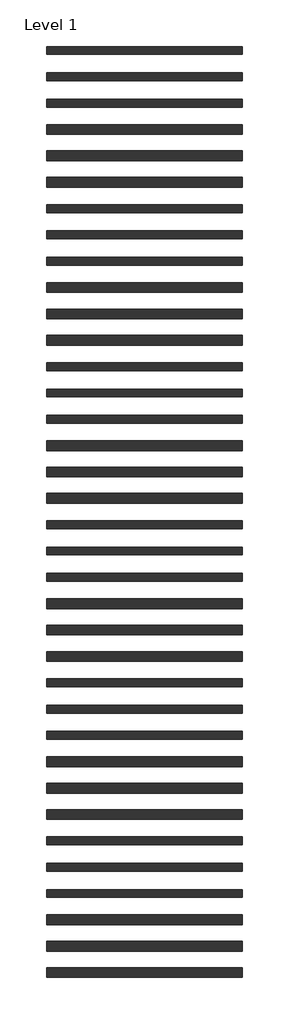
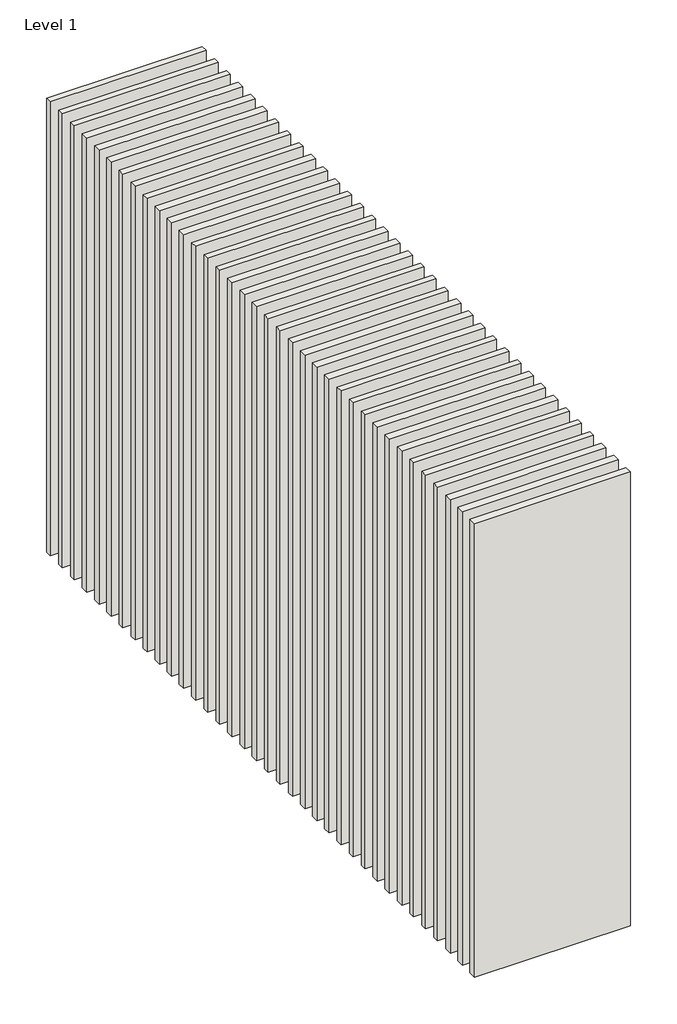
# One storey: 36 walls.
"""IFC4 building model written with IfcOpenShell, lengths in millimetres."""

from ifc_helpers import new_model, si_unit, origin, origin_with_axes, place, context, project, spatial, polyline, outline, extrude, element, save

model = new_model("IFC4")

# Units and contexts
model_context = context("Model", 3, world=origin())
ifc_project = project(units=[si_unit("LENGTHUNIT", "METRE", prefix="MILLI")], contexts=[model_context])

# Site, building, storey
site = spatial("IfcSite", under=ifc_project)
building = spatial("IfcBuilding", under=site)
storey = spatial("IfcBuildingStorey", under=building, Name="Level 1", Elevation=0.0)

# Walls
placement = place(None, origin())
element("IfcWall", 1, at=placement, inside=storey, context=model_context, shape_type="SweptSolid", body=[
    extrude(outline(polyline([(-16904.1464237, 3685.0198817), (-19504.1464237, 3685.0198817), (-19504.1464237, 3790.0198817), (-16904.1464237, 3790.0198817), (-16904.1464237, 3685.0198817)])), origin_with_axes(), (0.0, 0.0, 1.0), 8000.0),
])
element("IfcWall", 2, at=placement, inside=storey, context=model_context, shape_type="SweptSolid", body=[
    extrude(outline(polyline([(-16904.1464237, 3335.0198817), (-19504.1464237, 3335.0198817), (-19504.1464237, 3440.0198817), (-16904.1464237, 3440.0198817), (-16904.1464237, 3335.0198817)])), origin_with_axes(), (0.0, 0.0, 1.0), 8000.0),
])
element("IfcWall", 3, at=placement, inside=storey, context=model_context, shape_type="SweptSolid", body=[
    extrude(outline(polyline([(-16904.1464237, 2985.0198817), (-19504.1464237, 2985.0198817), (-19504.1464237, 3090.0198817), (-16904.1464237, 3090.0198817), (-16904.1464237, 2985.0198817)])), origin_with_axes(), (0.0, 0.0, 1.0), 8000.0),
])
element("IfcWall", 4, at=placement, inside=storey, context=model_context, shape_type="SweptSolid", body=[
    extrude(outline(polyline([(-16904.1464237, 2622.5198817), (-19504.1464237, 2622.5198817), (-19504.1464237, 2752.5198817), (-16904.1464237, 2752.5198817), (-16904.1464237, 2622.5198817)])), origin_with_axes(), (0.0, 0.0, 1.0), 8000.0),
])
element("IfcWall", 5, at=placement, inside=storey, context=model_context, shape_type="SweptSolid", body=[
    extrude(outline(polyline([(-16904.1464237, 2272.5198817), (-19504.1464237, 2272.5198817), (-19504.1464237, 2402.5198817), (-16904.1464237, 2402.5198817), (-16904.1464237, 2272.5198817)])), origin_with_axes(), (0.0, 0.0, 1.0), 8000.0),
])
element("IfcWall", 6, at=placement, inside=storey, context=model_context, shape_type="SweptSolid", body=[
    extrude(outline(polyline([(-16904.1464237, 1922.5198817), (-19504.1464237, 1922.5198817), (-19504.1464237, 2052.5198817), (-16904.1464237, 2052.5198817), (-16904.1464237, 1922.5198817)])), origin_with_axes(), (0.0, 0.0, 1.0), 8000.0),
])
element("IfcWall", 7, at=placement, inside=storey, context=model_context, shape_type="SweptSolid", body=[
    extrude(outline(polyline([(-16904.1464237, 1585.0198817), (-19504.1464237, 1585.0198817), (-19504.1464237, 1690.0198817), (-16904.1464237, 1690.0198817), (-16904.1464237, 1585.0198817)])), origin_with_axes(), (0.0, 0.0, 1.0), 8000.0),
])
element("IfcWall", 8, at=placement, inside=storey, context=model_context, shape_type="SweptSolid", body=[
    extrude(outline(polyline([(-16904.1464237, 1235.0198817), (-19504.1464237, 1235.0198817), (-19504.1464237, 1340.0198817), (-16904.1464237, 1340.0198817), (-16904.1464237, 1235.0198817)])), origin_with_axes(), (0.0, 0.0, 1.0), 8000.0),
])
element("IfcWall", 9, at=placement, inside=storey, context=model_context, shape_type="SweptSolid", body=[
    extrude(outline(polyline([(-16904.1464237, 885.0198817), (-19504.1464237, 885.0198817), (-19504.1464237, 990.0198817), (-16904.1464237, 990.0198817), (-16904.1464237, 885.0198817)])), origin_with_axes(), (0.0, 0.0, 1.0), 8000.0),
])
element("IfcWall", 10, at=placement, inside=storey, context=model_context, shape_type="SweptSolid", body=[
    extrude(outline(polyline([(-16904.1464237, 522.5198817), (-19504.1464237, 522.5198817), (-19504.1464237, 652.5198817), (-16904.1464237, 652.5198817), (-16904.1464237, 522.5198817)])), origin_with_axes(), (0.0, 0.0, 1.0), 8000.0),
])
element("IfcWall", 11, at=placement, inside=storey, context=model_context, shape_type="SweptSolid", body=[
    extrude(outline(polyline([(-16904.1464237, 172.5198817), (-19504.1464237, 172.5198817), (-19504.1464237, 302.5198817), (-16904.1464237, 302.5198817), (-16904.1464237, 172.5198817)])), origin_with_axes(), (0.0, 0.0, 1.0), 8000.0),
])
element("IfcWall", 12, at=placement, inside=storey, context=model_context, shape_type="SweptSolid", body=[
    extrude(outline(polyline([(-16904.1464237, -177.4801183), (-19504.1464237, -177.4801183), (-19504.1464237, -47.4801183), (-16904.1464237, -47.4801183), (-16904.1464237, -177.4801183)])), origin_with_axes(), (0.0, 0.0, 1.0), 8000.0),
])
element("IfcWall", 13, at=placement, inside=storey, context=model_context, shape_type="SweptSolid", body=[
    extrude(outline(polyline([(-16904.1464237, -514.9801183), (-19504.1464237, -514.9801183), (-19504.1464237, -409.9801183), (-16904.1464237, -409.9801183), (-16904.1464237, -514.9801183)])), origin_with_axes(), (0.0, 0.0, 1.0), 8000.0),
])
element("IfcWall", 14, at=placement, inside=storey, context=model_context, shape_type="SweptSolid", body=[
    extrude(outline(polyline([(-16904.1464237, -864.9801183), (-19504.1464237, -864.9801183), (-19504.1464237, -759.9801183), (-16904.1464237, -759.9801183), (-16904.1464237, -864.9801183)])), origin_with_axes(), (0.0, 0.0, 1.0), 8000.0),
])
element("IfcWall", 15, at=placement, inside=storey, context=model_context, shape_type="SweptSolid", body=[
    extrude(outline(polyline([(-16904.1464237, -1214.9801183), (-19504.1464237, -1214.9801183), (-19504.1464237, -1109.9801183), (-16904.1464237, -1109.9801183), (-16904.1464237, -1214.9801183)])), origin_with_axes(), (0.0, 0.0, 1.0), 8000.0),
])
element("IfcWall", 16, at=placement, inside=storey, context=model_context, shape_type="SweptSolid", body=[
    extrude(outline(polyline([(-16904.1464237, -1577.4801183), (-19504.1464237, -1577.4801183), (-19504.1464237, -1447.4801183), (-16904.1464237, -1447.4801183), (-16904.1464237, -1577.4801183)])), origin_with_axes(), (0.0, 0.0, 1.0), 8000.0),
])
element("IfcWall", 17, at=placement, inside=storey, context=model_context, shape_type="SweptSolid", body=[
    extrude(outline(polyline([(-16904.1464237, -1927.4801183), (-19504.1464237, -1927.4801183), (-19504.1464237, -1797.4801183), (-16904.1464237, -1797.4801183), (-16904.1464237, -1927.4801183)])), origin_with_axes(), (0.0, 0.0, 1.0), 8000.0),
])
element("IfcWall", 18, at=placement, inside=storey, context=model_context, shape_type="SweptSolid", body=[
    extrude(outline(polyline([(-16904.1464237, -2277.4801183), (-19504.1464237, -2277.4801183), (-19504.1464237, -2147.4801183), (-16904.1464237, -2147.4801183), (-16904.1464237, -2277.4801183)])), origin_with_axes(), (0.0, 0.0, 1.0), 8000.0),
])
element("IfcWall", 19, at=placement, inside=storey, context=model_context, shape_type="SweptSolid", body=[
    extrude(outline(polyline([(-16904.1464237, -2614.9801183), (-19504.1464237, -2614.9801183), (-19504.1464237, -2509.9801183), (-16904.1464237, -2509.9801183), (-16904.1464237, -2614.9801183)])), origin_with_axes(), (0.0, 0.0, 1.0), 8000.0),
])
element("IfcWall", 20, at=placement, inside=storey, context=model_context, shape_type="SweptSolid", body=[
    extrude(outline(polyline([(-16904.1464237, -2964.9801183), (-19504.1464237, -2964.9801183), (-19504.1464237, -2859.9801183), (-16904.1464237, -2859.9801183), (-16904.1464237, -2964.9801183)])), origin_with_axes(), (0.0, 0.0, 1.0), 8000.0),
])
element("IfcWall", 21, at=placement, inside=storey, context=model_context, shape_type="SweptSolid", body=[
    extrude(outline(polyline([(-16904.1464237, -3314.9801183), (-19504.1464237, -3314.9801183), (-19504.1464237, -3209.9801183), (-16904.1464237, -3209.9801183), (-16904.1464237, -3314.9801183)])), origin_with_axes(), (0.0, 0.0, 1.0), 8000.0),
])
element("IfcWall", 22, at=placement, inside=storey, context=model_context, shape_type="SweptSolid", body=[
    extrude(outline(polyline([(-16904.1464237, -3677.4801183), (-19504.1464237, -3677.4801183), (-19504.1464237, -3547.4801183), (-16904.1464237, -3547.4801183), (-16904.1464237, -3677.4801183)])), origin_with_axes(), (0.0, 0.0, 1.0), 8000.0),
])
element("IfcWall", 23, at=placement, inside=storey, context=model_context, shape_type="SweptSolid", body=[
    extrude(outline(polyline([(-16904.1464237, -4027.4801183), (-19504.1464237, -4027.4801183), (-19504.1464237, -3897.4801183), (-16904.1464237, -3897.4801183), (-16904.1464237, -4027.4801183)])), origin_with_axes(), (0.0, 0.0, 1.0), 8000.0),
])
element("IfcWall", 24, at=placement, inside=storey, context=model_context, shape_type="SweptSolid", body=[
    extrude(outline(polyline([(-16904.1464237, -4377.4801183), (-19504.1464237, -4377.4801183), (-19504.1464237, -4247.4801183), (-16904.1464237, -4247.4801183), (-16904.1464237, -4377.4801183)])), origin_with_axes(), (0.0, 0.0, 1.0), 8000.0),
])
element("IfcWall", 25, at=placement, inside=storey, context=model_context, shape_type="SweptSolid", body=[
    extrude(outline(polyline([(-16904.1464237, -4714.9801183), (-19504.1464237, -4714.9801183), (-19504.1464237, -4609.9801183), (-16904.1464237, -4609.9801183), (-16904.1464237, -4714.9801183)])), origin_with_axes(), (0.0, 0.0, 1.0), 8000.0),
])
element("IfcWall", 26, at=placement, inside=storey, context=model_context, shape_type="SweptSolid", body=[
    extrude(outline(polyline([(-16904.1464237, -5064.9801183), (-19504.1464237, -5064.9801183), (-19504.1464237, -4959.9801183), (-16904.1464237, -4959.9801183), (-16904.1464237, -5064.9801183)])), origin_with_axes(), (0.0, 0.0, 1.0), 8000.0),
])
element("IfcWall", 27, at=placement, inside=storey, context=model_context, shape_type="SweptSolid", body=[
    extrude(outline(polyline([(-16904.1464237, -5414.9801183), (-19504.1464237, -5414.9801183), (-19504.1464237, -5309.9801183), (-16904.1464237, -5309.9801183), (-16904.1464237, -5414.9801183)])), origin_with_axes(), (0.0, 0.0, 1.0), 8000.0),
])
element("IfcWall", 28, at=placement, inside=storey, context=model_context, shape_type="SweptSolid", body=[
    extrude(outline(polyline([(-16904.1464237, -5777.4801183), (-19504.1464237, -5777.4801183), (-19504.1464237, -5647.4801183), (-16904.1464237, -5647.4801183), (-16904.1464237, -5777.4801183)])), origin_with_axes(), (0.0, 0.0, 1.0), 8000.0),
])
element("IfcWall", 29, at=placement, inside=storey, context=model_context, shape_type="SweptSolid", body=[
    extrude(outline(polyline([(-16904.1464237, -6127.4801183), (-19504.1464237, -6127.4801183), (-19504.1464237, -5997.4801183), (-16904.1464237, -5997.4801183), (-16904.1464237, -6127.4801183)])), origin_with_axes(), (0.0, 0.0, 1.0), 8000.0),
])
element("IfcWall", 30, at=placement, inside=storey, context=model_context, shape_type="SweptSolid", body=[
    extrude(outline(polyline([(-16904.1464237, -6477.4801183), (-19504.1464237, -6477.4801183), (-19504.1464237, -6347.4801183), (-16904.1464237, -6347.4801183), (-16904.1464237, -6477.4801183)])), origin_with_axes(), (0.0, 0.0, 1.0), 8000.0),
])
element("IfcWall", 31, at=placement, inside=storey, context=model_context, shape_type="SweptSolid", body=[
    extrude(outline(polyline([(-16904.1464237, -6814.9801183), (-19504.1464237, -6814.9801183), (-19504.1464237, -6709.9801183), (-16904.1464237, -6709.9801183), (-16904.1464237, -6814.9801183)])), origin_with_axes(), (0.0, 0.0, 1.0), 8000.0),
])
element("IfcWall", 32, at=placement, inside=storey, context=model_context, shape_type="SweptSolid", body=[
    extrude(outline(polyline([(-16904.1464237, -7164.9801183), (-19504.1464237, -7164.9801183), (-19504.1464237, -7059.9801183), (-16904.1464237, -7059.9801183), (-16904.1464237, -7164.9801183)])), origin_with_axes(), (0.0, 0.0, 1.0), 8000.0),
])
element("IfcWall", 33, at=placement, inside=storey, context=model_context, shape_type="SweptSolid", body=[
    extrude(outline(polyline([(-16904.1464237, -7514.9801183), (-19504.1464237, -7514.9801183), (-19504.1464237, -7409.9801183), (-16904.1464237, -7409.9801183), (-16904.1464237, -7514.9801183)])), origin_with_axes(), (0.0, 0.0, 1.0), 8000.0),
])
element("IfcWall", 34, at=placement, inside=storey, context=model_context, shape_type="SweptSolid", body=[
    extrude(outline(polyline([(-16904.1464237, -7877.4801183), (-19504.1464237, -7877.4801183), (-19504.1464237, -7747.4801183), (-16904.1464237, -7747.4801183), (-16904.1464237, -7877.4801183)])), origin_with_axes(), (0.0, 0.0, 1.0), 8000.0),
])
element("IfcWall", 35, at=placement, inside=storey, context=model_context, shape_type="SweptSolid", body=[
    extrude(outline(polyline([(-16904.1464237, -8227.4801183), (-19504.1464237, -8227.4801183), (-19504.1464237, -8097.4801183), (-16904.1464237, -8097.4801183), (-16904.1464237, -8227.4801183)])), origin_with_axes(), (0.0, 0.0, 1.0), 8000.0),
])
element("IfcWall", 36, at=placement, inside=storey, context=model_context, shape_type="SweptSolid", body=[
    extrude(outline(polyline([(-16904.1464237, -8577.4801183), (-19504.1464237, -8577.4801183), (-19504.1464237, -8447.4801183), (-16904.1464237, -8447.4801183), (-16904.1464237, -8577.4801183)])), origin_with_axes(), (0.0, 0.0, 1.0), 8000.0),
])

save(model, "model.ifc")
